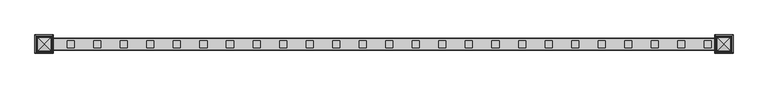
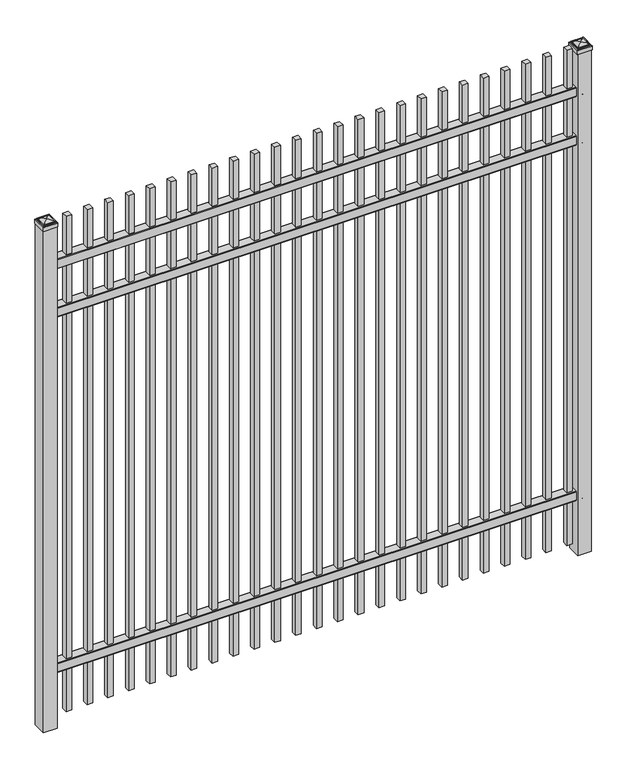
"""IFC4 building model written with IfcOpenShell, lengths in millimetres: railing geometry."""

from ifc_helpers import new_model, si_unit, point, frame, frame_2d, origin, origin_with_axes, place, context, project, spatial, polyline, circle_curve, ellipse_curve, trimmed, segment, composite_curve, outline, extrude, source, transform, mapped, element, save
from ifc_brep_helpers import plane_surface, cylinder_surface, advanced_brep


def railing_d1a1a7bb(model_context):
    return source(origin(), model_context, "Body", "SolidModel", [
        extrude(outline(composite_curve([segment(polyline([(7301.9139761, 304.8), (7339.969541, 304.8)]), True, "CONTINUOUS"), segment(trimmed(circle_curve(frame_2d((7339.969541, 301.625)), 3.175), [point((7339.969541, 304.8))], [point((7343.144541, 301.625))], False, "CARTESIAN"), True, "CONTINUOUS"), segment(polyline([(7343.144541, 301.625), (7343.144541, 262.1439893)]), True, "CONTINUOUS"), segment(trimmed(circle_curve(frame_2d((7341.3505518, 262.1439893)), 1.7939893), [point((7343.144541, 262.1439893))], [point((7341.3505518, 260.35))], False, "CARTESIAN"), True, "CONTINUOUS"), segment(polyline([(7341.3505518, 260.35), (7338.7590713, 260.35)]), True, "CONTINUOUS"), segment(trimmed(circle_curve(frame_2d((7338.7590713, 262.1359375)), 1.7859375), [point((7338.7590713, 260.35))], [point((7336.9755813, 262.0424688))], False, "CARTESIAN"), True, "CONTINUOUS"), segment(polyline([(7336.9755813, 262.0424688), (7335.4025867, 292.0569942), (7306.4364954, 292.0569942), (7304.8635007, 262.0424688)]), True, "CONTINUOUS"), segment(trimmed(circle_curve(frame_2d((7303.0800108, 262.1359375)), 1.7859375), [point((7304.8635007, 262.0424688))], [point((7303.0800108, 260.35))], False, "CARTESIAN"), True, "CONTINUOUS"), segment(polyline([(7303.0800108, 260.35), (7300.4804785, 260.35)]), True, "CONTINUOUS"), segment(trimmed(circle_curve(frame_2d((7300.4804785, 262.1359375)), 1.7859375), [point((7300.4804785, 260.35))], [point((7298.694541, 262.1359375))], False, "CARTESIAN"), True, "CONTINUOUS"), segment(polyline([(7298.694541, 262.1359375), (7298.694541, 301.5805649)]), True, "CONTINUOUS"), segment(trimmed(circle_curve(frame_2d((7301.9139761, 301.5805649)), 3.2194351), [point((7298.694541, 301.5805649))], [point((7301.9139761, 304.8))], False, "CARTESIAN"), True, "CONTINUOUS")], self_intersect=False)), frame((6913.3350064, 0.0, 0.0), z_axis=(1.0, 0.0, 0.0), x_axis=(0.0, 1.0, 0.0)), (0.0, 0.0, 1.0), 2438.4),
        extrude(outline(composite_curve([segment(polyline([(7301.9139761, 2019.3), (7339.969541, 2019.3)]), True, "CONTINUOUS"), segment(trimmed(circle_curve(frame_2d((7339.969541, 2016.125)), 3.175), [point((7339.969541, 2019.3))], [point((7343.144541, 2016.125))], False, "CARTESIAN"), True, "CONTINUOUS"), segment(polyline([(7343.144541, 2016.125), (7343.144541, 1976.6439893)]), True, "CONTINUOUS"), segment(trimmed(circle_curve(frame_2d((7341.3505518, 1976.6439893)), 1.7939893), [point((7343.144541, 1976.6439893))], [point((7341.3505518, 1974.85))], False, "CARTESIAN"), True, "CONTINUOUS"), segment(polyline([(7341.3505518, 1974.85), (7338.7590713, 1974.85)]), True, "CONTINUOUS"), segment(trimmed(circle_curve(frame_2d((7338.7590713, 1976.6359375)), 1.7859375), [point((7338.7590713, 1974.85))], [point((7336.9755813, 1976.5424688))], False, "CARTESIAN"), True, "CONTINUOUS"), segment(polyline([(7336.9755813, 1976.5424688), (7335.4025867, 2006.5569942), (7306.4364954, 2006.5569942), (7304.8635007, 1976.5424688)]), True, "CONTINUOUS"), segment(trimmed(circle_curve(frame_2d((7303.0800108, 1976.6359375)), 1.7859375), [point((7304.8635007, 1976.5424688))], [point((7303.0800108, 1974.85))], False, "CARTESIAN"), True, "CONTINUOUS"), segment(polyline([(7303.0800108, 1974.85), (7300.4804785, 1974.85)]), True, "CONTINUOUS"), segment(trimmed(circle_curve(frame_2d((7300.4804785, 1976.6359375)), 1.7859375), [point((7300.4804785, 1974.85))], [point((7298.694541, 1976.6359375))], False, "CARTESIAN"), True, "CONTINUOUS"), segment(polyline([(7298.694541, 1976.6359375), (7298.694541, 2016.0805649)]), True, "CONTINUOUS"), segment(trimmed(circle_curve(frame_2d((7301.9139761, 2016.0805649)), 3.2194351), [point((7298.694541, 2016.0805649))], [point((7301.9139761, 2019.3))], False, "CARTESIAN"), True, "CONTINUOUS")], self_intersect=False)), frame((6913.3350064, 0.0, 0.0), z_axis=(1.0, 0.0, 0.0), x_axis=(0.0, 1.0, 0.0)), (0.0, 0.0, 1.0), 2438.4),
        extrude(outline(composite_curve([segment(polyline([(7301.9139761, 2252.6625), (7339.969541, 2252.6625)]), True, "CONTINUOUS"), segment(trimmed(circle_curve(frame_2d((7339.969541, 2249.4875)), 3.175), [point((7339.969541, 2252.6625))], [point((7343.144541, 2249.4875))], False, "CARTESIAN"), True, "CONTINUOUS"), segment(polyline([(7343.144541, 2249.4875), (7343.144541, 2210.0064893)]), True, "CONTINUOUS"), segment(trimmed(circle_curve(frame_2d((7341.3505518, 2210.0064893)), 1.7939893), [point((7343.144541, 2210.0064893))], [point((7341.3505518, 2208.2125))], False, "CARTESIAN"), True, "CONTINUOUS"), segment(polyline([(7341.3505518, 2208.2125), (7338.7590713, 2208.2125)]), True, "CONTINUOUS"), segment(trimmed(circle_curve(frame_2d((7338.7590713, 2209.9984375)), 1.7859375), [point((7338.7590713, 2208.2125))], [point((7336.9755813, 2209.9049688))], False, "CARTESIAN"), True, "CONTINUOUS"), segment(polyline([(7336.9755813, 2209.9049688), (7335.4025867, 2239.9194942), (7306.4364954, 2239.9194942), (7304.8635007, 2209.9049688)]), True, "CONTINUOUS"), segment(trimmed(circle_curve(frame_2d((7303.0800108, 2209.9984375)), 1.7859375), [point((7304.8635007, 2209.9049688))], [point((7303.0800108, 2208.2125))], False, "CARTESIAN"), True, "CONTINUOUS"), segment(polyline([(7303.0800108, 2208.2125), (7300.4804785, 2208.2125)]), True, "CONTINUOUS"), segment(trimmed(circle_curve(frame_2d((7300.4804785, 2209.9984375)), 1.7859375), [point((7300.4804785, 2208.2125))], [point((7298.694541, 2209.9984375))], False, "CARTESIAN"), True, "CONTINUOUS"), segment(polyline([(7298.694541, 2209.9984375), (7298.694541, 2249.4430649)]), True, "CONTINUOUS"), segment(trimmed(circle_curve(frame_2d((7301.9139761, 2249.4430649)), 3.2194351), [point((7298.694541, 2249.4430649))], [point((7301.9139761, 2252.6625))], False, "CARTESIAN"), True, "CONTINUOUS")], self_intersect=False)), frame((6913.3350064, 0.0, 0.0), z_axis=(1.0, 0.0, 0.0), x_axis=(0.0, 1.0, 0.0)), (0.0, 0.0, 1.0), 2438.4),
        extrude(outline(polyline([(9281.8850064, 7333.619541), (9307.2850064, 7333.619541), (9307.2850064, 7308.219541), (9281.8850064, 7308.219541), (9281.8850064, 7333.619541)])), frame((0.0, 0.0, 50.8), z_axis=(0.0, 0.0, 1.0), x_axis=(1.0, 0.0, 0.0)), (0.0, 0.0, 1.0), 2387.6),
        extrude(outline(polyline([(9186.6350064, 7333.619541), (9212.0350064, 7333.619541), (9212.0350064, 7308.219541), (9186.6350064, 7308.219541), (9186.6350064, 7333.619541)])), frame((0.0, 0.0, 50.8), z_axis=(0.0, 0.0, 1.0), x_axis=(1.0, 0.0, 0.0)), (0.0, 0.0, 1.0), 2387.6),
        extrude(outline(polyline([(9091.3850064, 7333.619541), (9116.7850064, 7333.619541), (9116.7850064, 7308.219541), (9091.3850064, 7308.219541), (9091.3850064, 7333.619541)])), frame((0.0, 0.0, 50.8), z_axis=(0.0, 0.0, 1.0), x_axis=(1.0, 0.0, 0.0)), (0.0, 0.0, 1.0), 2387.6),
        extrude(outline(polyline([(8996.1350064, 7333.619541), (9021.5350064, 7333.619541), (9021.5350064, 7308.219541), (8996.1350064, 7308.219541), (8996.1350064, 7333.619541)])), frame((0.0, 0.0, 50.8), z_axis=(0.0, 0.0, 1.0), x_axis=(1.0, 0.0, 0.0)), (0.0, 0.0, 1.0), 2387.6),
        extrude(outline(polyline([(8900.8850064, 7333.619541), (8926.2850064, 7333.619541), (8926.2850064, 7308.219541), (8900.8850064, 7308.219541), (8900.8850064, 7333.619541)])), frame((0.0, 0.0, 50.8), z_axis=(0.0, 0.0, 1.0), x_axis=(1.0, 0.0, 0.0)), (0.0, 0.0, 1.0), 2387.6),
        extrude(outline(polyline([(8805.6350064, 7333.619541), (8831.0350064, 7333.619541), (8831.0350064, 7308.219541), (8805.6350064, 7308.219541), (8805.6350064, 7333.619541)])), frame((0.0, 0.0, 50.8), z_axis=(0.0, 0.0, 1.0), x_axis=(1.0, 0.0, 0.0)), (0.0, 0.0, 1.0), 2387.6),
        extrude(outline(polyline([(8710.3850064, 7333.619541), (8735.7850064, 7333.619541), (8735.7850064, 7308.219541), (8710.3850064, 7308.219541), (8710.3850064, 7333.619541)])), frame((0.0, 0.0, 50.8), z_axis=(0.0, 0.0, 1.0), x_axis=(1.0, 0.0, 0.0)), (0.0, 0.0, 1.0), 2387.6),
        extrude(outline(polyline([(8615.1350064, 7333.619541), (8640.5350064, 7333.619541), (8640.5350064, 7308.219541), (8615.1350064, 7308.219541), (8615.1350064, 7333.619541)])), frame((0.0, 0.0, 50.8), z_axis=(0.0, 0.0, 1.0), x_axis=(1.0, 0.0, 0.0)), (0.0, 0.0, 1.0), 2387.6),
        extrude(outline(polyline([(8519.8850064, 7333.619541), (8545.2850064, 7333.619541), (8545.2850064, 7308.219541), (8519.8850064, 7308.219541), (8519.8850064, 7333.619541)])), frame((0.0, 0.0, 50.8), z_axis=(0.0, 0.0, 1.0), x_axis=(1.0, 0.0, 0.0)), (0.0, 0.0, 1.0), 2387.6),
        extrude(outline(polyline([(8424.6350064, 7333.619541), (8450.0350064, 7333.619541), (8450.0350064, 7308.219541), (8424.6350064, 7308.219541), (8424.6350064, 7333.619541)])), frame((0.0, 0.0, 50.8), z_axis=(0.0, 0.0, 1.0), x_axis=(1.0, 0.0, 0.0)), (0.0, 0.0, 1.0), 2387.6),
        extrude(outline(polyline([(8329.3850064, 7333.619541), (8354.7850064, 7333.619541), (8354.7850064, 7308.219541), (8329.3850064, 7308.219541), (8329.3850064, 7333.619541)])), frame((0.0, 0.0, 50.8), z_axis=(0.0, 0.0, 1.0), x_axis=(1.0, 0.0, 0.0)), (0.0, 0.0, 1.0), 2387.6),
        extrude(outline(polyline([(8234.1350064, 7333.619541), (8259.5350064, 7333.619541), (8259.5350064, 7308.219541), (8234.1350064, 7308.219541), (8234.1350064, 7333.619541)])), frame((0.0, 0.0, 50.8), z_axis=(0.0, 0.0, 1.0), x_axis=(1.0, 0.0, 0.0)), (0.0, 0.0, 1.0), 2387.6),
        extrude(outline(polyline([(8138.8850064, 7333.619541), (8164.2850064, 7333.619541), (8164.2850064, 7308.219541), (8138.8850064, 7308.219541), (8138.8850064, 7333.619541)])), frame((0.0, 0.0, 50.8), z_axis=(0.0, 0.0, 1.0), x_axis=(1.0, 0.0, 0.0)), (0.0, 0.0, 1.0), 2387.6),
        extrude(outline(polyline([(8043.6350064, 7333.619541), (8069.0350064, 7333.619541), (8069.0350064, 7308.219541), (8043.6350064, 7308.219541), (8043.6350064, 7333.619541)])), frame((0.0, 0.0, 50.8), z_axis=(0.0, 0.0, 1.0), x_axis=(1.0, 0.0, 0.0)), (0.0, 0.0, 1.0), 2387.6),
        extrude(outline(polyline([(7948.3850064, 7333.619541), (7973.7850064, 7333.619541), (7973.7850064, 7308.219541), (7948.3850064, 7308.219541), (7948.3850064, 7333.619541)])), frame((0.0, 0.0, 50.8), z_axis=(0.0, 0.0, 1.0), x_axis=(1.0, 0.0, 0.0)), (0.0, 0.0, 1.0), 2387.6),
        extrude(outline(polyline([(7853.1350064, 7333.619541), (7878.5350064, 7333.619541), (7878.5350064, 7308.219541), (7853.1350064, 7308.219541), (7853.1350064, 7333.619541)])), frame((0.0, 0.0, 50.8), z_axis=(0.0, 0.0, 1.0), x_axis=(1.0, 0.0, 0.0)), (0.0, 0.0, 1.0), 2387.6),
        extrude(outline(polyline([(7757.8850064, 7333.619541), (7783.2850064, 7333.619541), (7783.2850064, 7308.219541), (7757.8850064, 7308.219541), (7757.8850064, 7333.619541)])), frame((0.0, 0.0, 50.8), z_axis=(0.0, 0.0, 1.0), x_axis=(1.0, 0.0, 0.0)), (0.0, 0.0, 1.0), 2387.6),
        extrude(outline(polyline([(7662.6350064, 7333.619541), (7688.0350064, 7333.619541), (7688.0350064, 7308.219541), (7662.6350064, 7308.219541), (7662.6350064, 7333.619541)])), frame((0.0, 0.0, 50.8), z_axis=(0.0, 0.0, 1.0), x_axis=(1.0, 0.0, 0.0)), (0.0, 0.0, 1.0), 2387.6),
        extrude(outline(polyline([(7567.3850064, 7333.619541), (7592.7850064, 7333.619541), (7592.7850064, 7308.219541), (7567.3850064, 7308.219541), (7567.3850064, 7333.619541)])), frame((0.0, 0.0, 50.8), z_axis=(0.0, 0.0, 1.0), x_axis=(1.0, 0.0, 0.0)), (0.0, 0.0, 1.0), 2387.6),
        extrude(outline(polyline([(7472.1350064, 7333.619541), (7497.5350064, 7333.619541), (7497.5350064, 7308.219541), (7472.1350064, 7308.219541), (7472.1350064, 7333.619541)])), frame((0.0, 0.0, 50.8), z_axis=(0.0, 0.0, 1.0), x_axis=(1.0, 0.0, 0.0)), (0.0, 0.0, 1.0), 2387.6),
        extrude(outline(polyline([(7376.8850064, 7333.619541), (7402.2850064, 7333.619541), (7402.2850064, 7308.219541), (7376.8850064, 7308.219541), (7376.8850064, 7333.619541)])), frame((0.0, 0.0, 50.8), z_axis=(0.0, 0.0, 1.0), x_axis=(1.0, 0.0, 0.0)), (0.0, 0.0, 1.0), 2387.6),
        extrude(outline(polyline([(7281.6350064, 7333.619541), (7307.0350064, 7333.619541), (7307.0350064, 7308.219541), (7281.6350064, 7308.219541), (7281.6350064, 7333.619541)])), frame((0.0, 0.0, 50.8), z_axis=(0.0, 0.0, 1.0), x_axis=(1.0, 0.0, 0.0)), (0.0, 0.0, 1.0), 2387.6),
        extrude(outline(polyline([(7186.3850064, 7333.619541), (7211.7850064, 7333.619541), (7211.7850064, 7308.219541), (7186.3850064, 7308.219541), (7186.3850064, 7333.619541)])), frame((0.0, 0.0, 50.8), z_axis=(0.0, 0.0, 1.0), x_axis=(1.0, 0.0, 0.0)), (0.0, 0.0, 1.0), 2387.6),
        extrude(outline(polyline([(7091.1350064, 7333.619541), (7116.5350064, 7333.619541), (7116.5350064, 7308.219541), (7091.1350064, 7308.219541), (7091.1350064, 7333.619541)])), frame((0.0, 0.0, 50.8), z_axis=(0.0, 0.0, 1.0), x_axis=(1.0, 0.0, 0.0)), (0.0, 0.0, 1.0), 2387.6),
        extrude(outline(polyline([(6995.8850064, 7333.619541), (7021.2850064, 7333.619541), (7021.2850064, 7308.219541), (6995.8850064, 7308.219541), (6995.8850064, 7333.619541)])), frame((0.0, 0.0, 50.8), z_axis=(0.0, 0.0, 1.0), x_axis=(1.0, 0.0, 0.0)), (0.0, 0.0, 1.0), 2387.6),
        extrude(outline(polyline([(9383.4850064, 7352.669541), (9383.4850064, 7289.169541), (9319.9850064, 7289.169541), (9319.9850064, 7352.669541), (9383.4850064, 7352.669541)])), origin_with_axes(), (0.0, 0.0, 1.0), 2417.7625),
        advanced_brep(
        [(9318.3975064, 7354.257041, 2436.01875), (9318.3975064, 7354.257041, 2417.7625), (9318.3975064, 7287.582041, 2417.7625), (9318.3975064, 7287.582041, 2436.01875), (9320.7787564, 7351.875791, 2438.4), (9320.7787564, 7289.963291, 2438.4), (9323.1600064, 7349.494541, 2440.78125), (9323.1600064, 7349.494541, 2438.4), (9323.1600064, 7292.344541, 2438.4), (9323.1600064, 7292.344541, 2440.78125), (9325.5412564, 7347.113291, 2443.1625), (9325.5412564, 7294.725791, 2443.1625), (9351.7350064, 7320.919541, 2449.5125), (9327.9225064, 7344.732041, 2443.1625), (9327.9225064, 7297.107041, 2443.1625), (9385.0725064, 7287.582041, 2417.7625), (9385.0725064, 7287.582041, 2436.01875), (9382.6912564, 7289.963291, 2438.4), (9380.3100064, 7292.344541, 2438.4), (9380.3100064, 7292.344541, 2440.78125), (9377.9287564, 7294.725791, 2443.1625), (9375.5475064, 7297.107041, 2443.1625), (9385.0725064, 7354.257041, 2417.7625), (9385.0725064, 7354.257041, 2436.01875), (9382.6912564, 7351.875791, 2438.4), (9380.3100064, 7349.494541, 2438.4), (9380.3100064, 7349.494541, 2440.78125), (9377.9287564, 7347.113291, 2443.1625), (9375.5475064, 7344.732041, 2443.1625)],
        [
            (0, 1),
            (1, 2),
            (2, 3),
            (3, 0),
            (4, 0, ellipse_curve(frame((9320.7787564, 7351.875791, 2436.01875), z_axis=(-0.70710678118655, -0.7071067811865449, 0.0), x_axis=(-0.7071067811865448, 0.7071067811865501, 0.0)), 3.367596, 2.38125)),
            (3, 5, ellipse_curve(frame((9320.7787564, 7289.963291, 2436.01875), z_axis=(-0.7071067811865449, 0.70710678118655, 0.0), x_axis=(0.7071067811865499, 0.707106781186545, 0.0)), 3.367596, 2.38125)),
            (5, 4),
            (6, 7),
            (7, 8),
            (8, 9),
            (9, 6),
            (10, 6, ellipse_curve(frame((9325.5412564, 7347.113291, 2440.78125), z_axis=(-0.70710678118655, -0.7071067811865449, 0.0), x_axis=(-0.7071067811865448, 0.7071067811865501, 0.0)), 3.367596, 2.38125)),
            (9, 11, ellipse_curve(frame((9325.5412564, 7294.725791, 2440.78125), z_axis=(-0.7071067811865449, 0.70710678118655, 0.0), x_axis=(0.7071067811865499, 0.707106781186545, 0.0)), 3.367596, 2.38125)),
            (11, 10),
            (12, 13, ellipse_curve(frame((9351.7350064, 7320.919541, 2401.6890625), z_axis=(-0.70710678118655, -0.7071067811865449, 0.0), x_axis=(-0.7071067811865448, 0.7071067811865501, 0.0)), 67.6325539, 47.8234375)),
            (13, 14),
            (14, 12, ellipse_curve(frame((9351.7350064, 7320.919541, 2401.6890625), z_axis=(-0.7071067811865449, 0.70710678118655, 0.0), x_axis=(0.7071067811865499, 0.707106781186545, 0.0)), 67.6325539, 47.8234375)),
            (2, 15),
            (15, 16),
            (16, 3),
            (16, 17, ellipse_curve(frame((9382.6912564, 7289.963291, 2436.01875), z_axis=(-0.70710678118655, -0.707106781186545, 0.0), x_axis=(-0.707106781186545, 0.70710678118655, 0.0)), 3.367596, 2.38125)),
            (17, 5),
            (8, 18),
            (18, 19),
            (19, 9),
            (19, 20, ellipse_curve(frame((9377.9287564, 7294.725791, 2440.78125), z_axis=(-0.70710678118655, -0.707106781186545, 0.0), x_axis=(-0.707106781186545, 0.70710678118655, 0.0)), 3.367596, 2.38125)),
            (20, 11),
            (14, 21),
            (21, 12, ellipse_curve(frame((9351.7350064, 7320.919541, 2401.6890625), z_axis=(-0.70710678118655, -0.707106781186545, 0.0), x_axis=(-0.707106781186545, 0.70710678118655, 0.0)), 67.6325539, 47.8234375)),
            (15, 22),
            (22, 23),
            (23, 16),
            (23, 24, ellipse_curve(frame((9382.6912564, 7351.875791, 2436.01875), z_axis=(0.707106781186545, -0.7071067811865499, 0.0), x_axis=(-0.7071067811865497, -0.7071067811865452, 0.0)), 3.367596, 2.38125)),
            (24, 17),
            (18, 25),
            (25, 26),
            (26, 19),
            (26, 27, ellipse_curve(frame((9377.9287564, 7347.113291, 2440.78125), z_axis=(0.707106781186545, -0.7071067811865499, 0.0), x_axis=(-0.7071067811865497, -0.7071067811865452, 0.0)), 3.367596, 2.38125)),
            (27, 20),
            (21, 28),
            (28, 12, ellipse_curve(frame((9351.7350064, 7320.919541, 2401.6890625), z_axis=(0.707106781186545, -0.7071067811865499, 0.0), x_axis=(-0.7071067811865497, -0.7071067811865452, 0.0)), 67.6325539, 47.8234375)),
            (22, 1),
            (0, 23),
            (4, 24),
            (7, 25),
            (6, 26),
            (10, 27),
            (13, 28),
        ],
        [
            plane_surface(frame((9318.3975064, 7354.257041, 2417.7625), z_axis=(-1.0, 0.0, 0.0), x_axis=(0.0, -1.0, 0.0))),
            cylinder_surface(frame((9320.7787564, 7352.669541, 2436.01875), z_axis=(0.0, 1.0, 0.0), x_axis=(1.0, 0.0, 0.0)), 2.38125),
            plane_surface(frame((9323.1600064, 7349.494541, 2438.4), z_axis=(-1.0, 0.0, 0.0), x_axis=(0.0, -1.0, 0.0))),
            cylinder_surface(frame((9325.5412564, 7352.669541, 2440.78125), z_axis=(0.0, 1.0, 0.0), x_axis=(1.0, 0.0, 0.0)), 2.38125),
            cylinder_surface(frame((9351.7350064, 7352.669541, 2401.6890625), z_axis=(0.0, 1.0, 0.0), x_axis=(1.0, 0.0, 0.0)), 47.8234375),
            plane_surface(frame((9318.3975064, 7287.582041, 2417.7625), z_axis=(0.0, -1.0, 0.0), x_axis=(1.0, 0.0, 0.0))),
            cylinder_surface(frame((9319.9850064, 7289.963291, 2436.01875), z_axis=(-1.0, 0.0, 0.0), x_axis=(0.0, 1.0, 0.0)), 2.38125),
            plane_surface(frame((9323.1600064, 7292.344541, 2438.4), z_axis=(0.0, -1.0, 0.0), x_axis=(1.0, 0.0, 0.0))),
            cylinder_surface(frame((9319.9850064, 7294.725791, 2440.78125), z_axis=(-1.0, 0.0, 0.0), x_axis=(0.0, 1.0, 0.0)), 2.38125),
            cylinder_surface(frame((9319.9850064, 7320.919541, 2401.6890625), z_axis=(-1.0, 0.0, 0.0), x_axis=(0.0, 1.0, 0.0)), 47.8234375),
            plane_surface(frame((9385.0725064, 7287.582041, 2417.7625), z_axis=(1.0, 0.0, 0.0), x_axis=(0.0, 1.0, 0.0))),
            cylinder_surface(frame((9382.6912564, 7289.169541, 2436.01875), z_axis=(0.0, -1.0, 0.0), x_axis=(-1.0, 0.0, 0.0)), 2.38125),
            plane_surface(frame((9380.3100064, 7292.344541, 2438.4), z_axis=(1.0, 0.0, 0.0), x_axis=(0.0, 1.0, 0.0))),
            cylinder_surface(frame((9377.9287564, 7289.169541, 2440.78125), z_axis=(0.0, -1.0, 0.0), x_axis=(-1.0, 0.0, 0.0)), 2.38125),
            cylinder_surface(frame((9351.7350064, 7289.169541, 2401.6890625), z_axis=(0.0, -1.0, 0.0), x_axis=(-1.0, 0.0, 0.0)), 47.8234375),
            plane_surface(frame((9385.0725064, 7354.257041, 2417.7625), z_axis=(0.0, 1.0, 0.0), x_axis=(-1.0, 0.0, 0.0))),
            cylinder_surface(frame((9383.4850064, 7351.875791, 2436.01875), z_axis=(1.0, 0.0, 0.0), x_axis=(0.0, -1.0, 0.0)), 2.38125),
            plane_surface(frame((9382.6912564, 7351.875791, 2438.4), z_axis=(0.0, 0.0, 1.0), x_axis=(-1.0, 0.0, 0.0))),
            plane_surface(frame((9380.3100064, 7349.494541, 2438.4), z_axis=(0.0, 1.0, 0.0), x_axis=(-1.0, 0.0, 0.0))),
            cylinder_surface(frame((9383.4850064, 7347.113291, 2440.78125), z_axis=(1.0, 0.0, 0.0), x_axis=(0.0, -1.0, 0.0)), 2.38125),
            plane_surface(frame((9377.9287564, 7347.113291, 2443.1625), z_axis=(0.0, 0.0, 1.0), x_axis=(-1.0, 0.0, 0.0))),
            cylinder_surface(frame((9383.4850064, 7320.919541, 2401.6890625), z_axis=(1.0, 0.0, 0.0), x_axis=(0.0, -1.0, 0.0)), 47.8234375),
            plane_surface(frame((9351.7350064, 7320.919541, 2417.7625), z_axis=(0.0, 0.0, -1.0), x_axis=(-1.0, 0.0, 0.0))),
        ],
        [
            (0, [[1, 2, 3, 4]]),
            (1, [[5, -4, 6, 7]]),
            (2, [[8, 9, 10, 11]]),
            (3, [[12, -11, 13, 14]]),
            (4, [[15, 16, 17]]),
            (5, [[-3, 18, 19, 20]]),
            (6, [[-6, -20, 21, 22]]),
            (7, [[-10, 23, 24, 25]]),
            (8, [[-13, -25, 26, 27]]),
            (9, [[-17, 28, 29]]),
            (10, [[-19, 30, 31, 32]]),
            (11, [[-21, -32, 33, 34]]),
            (12, [[-24, 35, 36, 37]]),
            (13, [[-26, -37, 38, 39]]),
            (14, [[-29, 40, 41]]),
            (15, [[-31, 42, -1, 43]]),
            (16, [[-33, -43, -5, 44]]),
            (17, [[-22, -34, -44, -7], [45, -35, -23, -9]]),
            (18, [[-36, -45, -8, 46]]),
            (19, [[-38, -46, -12, 47]]),
            (20, [[-27, -39, -47, -14], [48, -40, -28, -16]]),
            (21, [[-41, -48, -15]]),
            (22, [[-42, -30, -18, -2]]),
        ],
    ),
        extrude(outline(polyline([(6945.0850064, 7352.669541), (6945.0850064, 7289.169541), (6881.5850064, 7289.169541), (6881.5850064, 7352.669541), (6945.0850064, 7352.669541)])), origin_with_axes(), (0.0, 0.0, 1.0), 2417.7625),
        advanced_brep(
        [(6879.9975064, 7354.257041, 2436.01875), (6879.9975064, 7354.257041, 2417.7625), (6879.9975064, 7287.582041, 2417.7625), (6879.9975064, 7287.582041, 2436.01875), (6882.3787564, 7351.875791, 2438.4), (6882.3787564, 7289.963291, 2438.4), (6884.7600064, 7349.494541, 2440.78125), (6884.7600064, 7349.494541, 2438.4), (6884.7600064, 7292.344541, 2438.4), (6884.7600064, 7292.344541, 2440.78125), (6887.1412564, 7347.113291, 2443.1625), (6887.1412564, 7294.725791, 2443.1625), (6913.3350064, 7320.919541, 2449.5125), (6889.5225064, 7344.732041, 2443.1625), (6889.5225064, 7297.107041, 2443.1625), (6946.6725064, 7287.582041, 2417.7625), (6946.6725064, 7287.582041, 2436.01875), (6944.2912564, 7289.963291, 2438.4), (6941.9100064, 7292.344541, 2438.4), (6941.9100064, 7292.344541, 2440.78125), (6939.5287564, 7294.725791, 2443.1625), (6937.1475064, 7297.107041, 2443.1625), (6946.6725064, 7354.257041, 2417.7625), (6946.6725064, 7354.257041, 2436.01875), (6944.2912564, 7351.875791, 2438.4), (6941.9100064, 7349.494541, 2438.4), (6941.9100064, 7349.494541, 2440.78125), (6939.5287564, 7347.113291, 2443.1625), (6937.1475064, 7344.732041, 2443.1625)],
        [
            (0, 1),
            (1, 2),
            (2, 3),
            (3, 0),
            (4, 0, ellipse_curve(frame((6882.3787564, 7351.875791, 2436.01875), z_axis=(-0.70710678118655, -0.7071067811865449, 0.0), x_axis=(-0.7071067811865448, 0.7071067811865501, 0.0)), 3.367596, 2.38125)),
            (3, 5, ellipse_curve(frame((6882.3787564, 7289.963291, 2436.01875), z_axis=(-0.7071067811865449, 0.70710678118655, 0.0), x_axis=(0.7071067811865499, 0.707106781186545, 0.0)), 3.367596, 2.38125)),
            (5, 4),
            (6, 7),
            (7, 8),
            (8, 9),
            (9, 6),
            (10, 6, ellipse_curve(frame((6887.1412564, 7347.113291, 2440.78125), z_axis=(-0.70710678118655, -0.7071067811865449, 0.0), x_axis=(-0.7071067811865448, 0.7071067811865501, 0.0)), 3.367596, 2.38125)),
            (9, 11, ellipse_curve(frame((6887.1412564, 7294.725791, 2440.78125), z_axis=(-0.7071067811865449, 0.70710678118655, 0.0), x_axis=(0.7071067811865499, 0.707106781186545, 0.0)), 3.367596, 2.38125)),
            (11, 10),
            (12, 13, ellipse_curve(frame((6913.3350064, 7320.919541, 2401.6890625), z_axis=(-0.70710678118655, -0.7071067811865449, 0.0), x_axis=(-0.7071067811865448, 0.7071067811865501, 0.0)), 67.6325539, 47.8234375)),
            (13, 14),
            (14, 12, ellipse_curve(frame((6913.3350064, 7320.919541, 2401.6890625), z_axis=(-0.7071067811865449, 0.70710678118655, 0.0), x_axis=(0.7071067811865499, 0.707106781186545, 0.0)), 67.6325539, 47.8234375)),
            (2, 15),
            (15, 16),
            (16, 3),
            (16, 17, ellipse_curve(frame((6944.2912564, 7289.963291, 2436.01875), z_axis=(-0.70710678118655, -0.707106781186545, 0.0), x_axis=(-0.707106781186545, 0.70710678118655, 0.0)), 3.367596, 2.38125)),
            (17, 5),
            (8, 18),
            (18, 19),
            (19, 9),
            (19, 20, ellipse_curve(frame((6939.5287564, 7294.725791, 2440.78125), z_axis=(-0.70710678118655, -0.707106781186545, 0.0), x_axis=(-0.707106781186545, 0.70710678118655, 0.0)), 3.367596, 2.38125)),
            (20, 11),
            (14, 21),
            (21, 12, ellipse_curve(frame((6913.3350064, 7320.919541, 2401.6890625), z_axis=(-0.70710678118655, -0.707106781186545, 0.0), x_axis=(-0.707106781186545, 0.70710678118655, 0.0)), 67.6325539, 47.8234375)),
            (15, 22),
            (22, 23),
            (23, 16),
            (23, 24, ellipse_curve(frame((6944.2912564, 7351.875791, 2436.01875), z_axis=(0.707106781186545, -0.7071067811865499, 0.0), x_axis=(-0.7071067811865497, -0.7071067811865452, 0.0)), 3.367596, 2.38125)),
            (24, 17),
            (18, 25),
            (25, 26),
            (26, 19),
            (26, 27, ellipse_curve(frame((6939.5287564, 7347.113291, 2440.78125), z_axis=(0.707106781186545, -0.7071067811865499, 0.0), x_axis=(-0.7071067811865497, -0.7071067811865452, 0.0)), 3.367596, 2.38125)),
            (27, 20),
            (21, 28),
            (28, 12, ellipse_curve(frame((6913.3350064, 7320.919541, 2401.6890625), z_axis=(0.707106781186545, -0.7071067811865499, 0.0), x_axis=(-0.7071067811865497, -0.7071067811865452, 0.0)), 67.6325539, 47.8234375)),
            (22, 1),
            (0, 23),
            (4, 24),
            (7, 25),
            (6, 26),
            (10, 27),
            (13, 28),
        ],
        [
            plane_surface(frame((6879.9975064, 7354.257041, 2417.7625), z_axis=(-1.0, 0.0, 0.0), x_axis=(0.0, -1.0, 0.0))),
            cylinder_surface(frame((6882.3787564, 7352.669541, 2436.01875), z_axis=(0.0, 1.0, 0.0), x_axis=(1.0, 0.0, 0.0)), 2.38125),
            plane_surface(frame((6884.7600064, 7349.494541, 2438.4), z_axis=(-1.0, 0.0, 0.0), x_axis=(0.0, -1.0, 0.0))),
            cylinder_surface(frame((6887.1412564, 7352.669541, 2440.78125), z_axis=(0.0, 1.0, 0.0), x_axis=(1.0, 0.0, 0.0)), 2.38125),
            cylinder_surface(frame((6913.3350064, 7352.669541, 2401.6890625), z_axis=(0.0, 1.0, 0.0), x_axis=(1.0, 0.0, 0.0)), 47.8234375),
            plane_surface(frame((6879.9975064, 7287.582041, 2417.7625), z_axis=(0.0, -1.0, 0.0), x_axis=(1.0, 0.0, 0.0))),
            cylinder_surface(frame((6881.5850064, 7289.963291, 2436.01875), z_axis=(-1.0, 0.0, 0.0), x_axis=(0.0, 1.0, 0.0)), 2.38125),
            plane_surface(frame((6884.7600064, 7292.344541, 2438.4), z_axis=(0.0, -1.0, 0.0), x_axis=(1.0, 0.0, 0.0))),
            cylinder_surface(frame((6881.5850064, 7294.725791, 2440.78125), z_axis=(-1.0, 0.0, 0.0), x_axis=(0.0, 1.0, 0.0)), 2.38125),
            cylinder_surface(frame((6881.5850064, 7320.919541, 2401.6890625), z_axis=(-1.0, 0.0, 0.0), x_axis=(0.0, 1.0, 0.0)), 47.8234375),
            plane_surface(frame((6946.6725064, 7287.582041, 2417.7625), z_axis=(1.0, 0.0, 0.0), x_axis=(0.0, 1.0, 0.0))),
            cylinder_surface(frame((6944.2912564, 7289.169541, 2436.01875), z_axis=(0.0, -1.0, 0.0), x_axis=(-1.0, 0.0, 0.0)), 2.38125),
            plane_surface(frame((6941.9100064, 7292.344541, 2438.4), z_axis=(1.0, 0.0, 0.0), x_axis=(0.0, 1.0, 0.0))),
            cylinder_surface(frame((6939.5287564, 7289.169541, 2440.78125), z_axis=(0.0, -1.0, 0.0), x_axis=(-1.0, 0.0, 0.0)), 2.38125),
            cylinder_surface(frame((6913.3350064, 7289.169541, 2401.6890625), z_axis=(0.0, -1.0, 0.0), x_axis=(-1.0, 0.0, 0.0)), 47.8234375),
            plane_surface(frame((6946.6725064, 7354.257041, 2417.7625), z_axis=(0.0, 1.0, 0.0), x_axis=(-1.0, 0.0, 0.0))),
            cylinder_surface(frame((6945.0850064, 7351.875791, 2436.01875), z_axis=(1.0, 0.0, 0.0), x_axis=(0.0, -1.0, 0.0)), 2.38125),
            plane_surface(frame((6944.2912564, 7351.875791, 2438.4), z_axis=(0.0, 0.0, 1.0), x_axis=(-1.0, 0.0, 0.0))),
            plane_surface(frame((6941.9100064, 7349.494541, 2438.4), z_axis=(0.0, 1.0, 0.0), x_axis=(-1.0, 0.0, 0.0))),
            cylinder_surface(frame((6945.0850064, 7347.113291, 2440.78125), z_axis=(1.0, 0.0, 0.0), x_axis=(0.0, -1.0, 0.0)), 2.38125),
            plane_surface(frame((6939.5287564, 7347.113291, 2443.1625), z_axis=(0.0, 0.0, 1.0), x_axis=(-1.0, 0.0, 0.0))),
            cylinder_surface(frame((6945.0850064, 7320.919541, 2401.6890625), z_axis=(1.0, 0.0, 0.0), x_axis=(0.0, -1.0, 0.0)), 47.8234375),
            plane_surface(frame((6913.3350064, 7320.919541, 2417.7625), z_axis=(0.0, 0.0, -1.0), x_axis=(-1.0, 0.0, 0.0))),
        ],
        [
            (0, [[1, 2, 3, 4]]),
            (1, [[5, -4, 6, 7]]),
            (2, [[8, 9, 10, 11]]),
            (3, [[12, -11, 13, 14]]),
            (4, [[15, 16, 17]]),
            (5, [[-3, 18, 19, 20]]),
            (6, [[-6, -20, 21, 22]]),
            (7, [[-10, 23, 24, 25]]),
            (8, [[-13, -25, 26, 27]]),
            (9, [[-17, 28, 29]]),
            (10, [[-19, 30, 31, 32]]),
            (11, [[-21, -32, 33, 34]]),
            (12, [[-24, 35, 36, 37]]),
            (13, [[-26, -37, 38, 39]]),
            (14, [[-29, 40, 41]]),
            (15, [[-31, 42, -1, 43]]),
            (16, [[-33, -43, -5, 44]]),
            (17, [[-22, -34, -44, -7], [45, -35, -23, -9]]),
            (18, [[-36, -45, -8, 46]]),
            (19, [[-38, -46, -12, 47]]),
            (20, [[-27, -39, -47, -14], [48, -40, -28, -16]]),
            (21, [[-41, -48, -15]]),
            (22, [[-42, -30, -18, -2]]),
        ],
    ),
    ])


if __name__ == "__main__":
    model = new_model("IFC4")
    model_context = context("Model", 3, world=origin())
    ifc_project = project(units=[si_unit("LENGTHUNIT", "METRE", prefix="MILLI")], contexts=[model_context])
    site = spatial("IfcSite", under=ifc_project)
    building = spatial("IfcBuilding", under=site)
    placement = place(None, origin())
    railing_shape = railing_d1a1a7bb(model_context)
    element("IfcRailing", 1, at=placement, inside=building, context=model_context, shape_type="MappedRepresentation", body=[
        mapped(railing_shape, transform((0.0, 0.0, 0.0), x_axis=(1.0, 0.0, 0.0), y_axis=(0.0, 1.0, 0.0), z_axis=(0.0, 0.0, 1.0))),
    ])
    save(model, "model.ifc")
